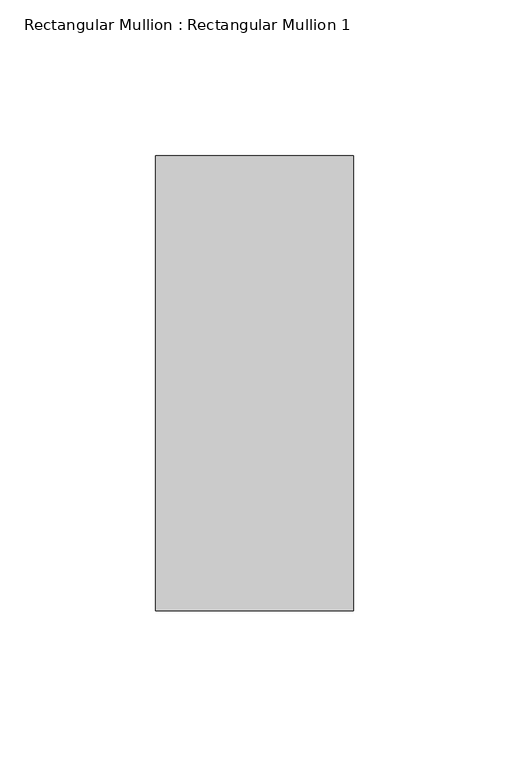
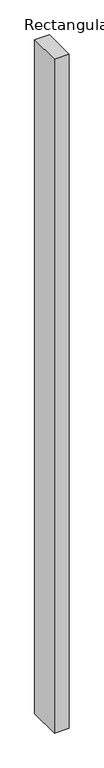
"""IFC4 building model written with IfcOpenShell, lengths in millimetres: member geometry, Rectangular Mullion : Rectangular Mullion 1."""

import ifcopenshell
import ifcopenshell.guid

model = None  # the IFC model being written
_history = None  # IfcOwnerHistory: only IFC2X3 demands one
_inside = {}  # id of a spatial element -> (the spatial element, [elements in it])
_under = {}  # id of a project, library or spatial element -> (it, [spatial elements below it])
_declared = {}  # id of a project -> (the project, [libraries it declares])
_typed = {}  # id of a type object -> (the type object, [elements of that type])
_made_of = {}  # id of a material, layer set ... -> (it, [elements and type objects made of it])


def new_model(schema):
    """Start an empty IFC model of exactly this schema.

    Asked for "IFC4X3", IfcOpenShell would pick the latest addendum, in which some entities
    have other attributes; the version numbers below select the first issue.
    IFC2X3 requires an IfcOwnerHistory on every rooted entity: one is made here for all.
    """
    global model, _history
    if schema == "IFC4X3":
        model = ifcopenshell.file(schema_version=(4, 3, 0, 0))
    else:
        model = ifcopenshell.file(schema=schema)
    _inside.clear()
    _under.clear()
    _declared.clear()
    _typed.clear()
    _made_of.clear()
    _history = None
    if model.schema == "IFC2X3":
        org = make("IfcOrganization", Name="unknown")
        user = make(
            "IfcPersonAndOrganization",
            ThePerson=make("IfcPerson", FamilyName="unknown"),
            TheOrganization=org,
        )
        app = make(
            "IfcApplication",
            ApplicationDeveloper=org,
            Version="unknown",
            ApplicationFullName="unknown",
            ApplicationIdentifier="unknown",
        )
        _history = make(
            "IfcOwnerHistory",
            OwningUser=user,
            OwningApplication=app,
            ChangeAction="ADDED",
            CreationDate=0,
        )
    return model


def make(cls, **values):
    """One entity of the class cls with the attributes given. An attribute that is None is left unset."""
    return model.create_entity(
        cls, **{name: value for name, value in values.items() if value is not None}
    )


def rooted(cls, **values):
    """An entity with a GlobalId (a new one), such as an element, a storey or a relation."""
    return make(cls, GlobalId=ifcopenshell.guid.new(), OwnerHistory=_history, **values)


def si_unit(unit_type, name, prefix=None):
    """IfcSIUnit, for example si_unit("LENGTHUNIT", "METRE", prefix="MILLI")."""
    return make("IfcSIUnit", UnitType=unit_type, Prefix=prefix, Name=name)


def assignment(units):
    """IfcUnitAssignment: the units of a project."""
    return None if units is None else make("IfcUnitAssignment", Units=units)


def point(xyz):
    """IfcCartesianPoint."""
    return None if xyz is None else make("IfcCartesianPoint", Coordinates=xyz)


def direction(xyz):
    """IfcDirection."""
    return None if xyz is None else make("IfcDirection", DirectionRatios=xyz)


def frame(location, z_axis=None, x_axis=None):
    """IfcAxis2Placement3D, a coordinate frame: its origin and axes. An axis left out is left unset."""
    return make(
        "IfcAxis2Placement3D",
        Location=point(location),
        Axis=direction(z_axis),
        RefDirection=direction(x_axis),
    )


def origin():
    """The frame at (0, 0, 0) with its axes left unset."""
    return frame((0.0, 0.0, 0.0))


def place(relative_to, where):
    """IfcLocalPlacement: puts the frame where relative to a parent placement (None: the world)."""
    return make(
        "IfcLocalPlacement", PlacementRelTo=relative_to, RelativePlacement=where
    )


def context(
    kind, dimensions, precision=None, world=None, true_north=None, identifier=None
):
    """IfcGeometricRepresentationContext, for example the 3D "Model" context."""
    return make(
        "IfcGeometricRepresentationContext",
        ContextIdentifier=identifier,
        ContextType=kind,
        CoordinateSpaceDimension=dimensions,
        Precision=precision,
        WorldCoordinateSystem=world,
        TrueNorth=true_north,
    )


def project(units=None, contexts=None):
    """IfcProject with its units and contexts."""
    return rooted(
        "IfcProject",
        Name="project",
        RepresentationContexts=contexts,
        UnitsInContext=assignment(units),
    )


def spatial(cls, under=None, at=None, **own):
    """A site, building, storey or space (cls), placed at a placement, below another one or the project."""
    s = rooted(cls, ObjectPlacement=at, **own)
    if under is not None:
        _under.setdefault(under.id(), (under, []))[1].append(s)
    return s


def polyline(points):
    """IfcPolyline through the points."""
    return make("IfcPolyline", Points=[point(p) for p in points])


def outline(outer, holes=None, kind="AREA"):
    """IfcArbitraryClosedProfileDef: a profile drawn as a closed curve; with holes, ...WithVoids."""
    if holes is None:
        return make("IfcArbitraryClosedProfileDef", ProfileType=kind, OuterCurve=outer)
    return make(
        "IfcArbitraryProfileDefWithVoids",
        ProfileType=kind,
        OuterCurve=outer,
        InnerCurves=holes,
    )


def extrude(swept, where, along, depth):
    """IfcExtrudedAreaSolid: the profile swept, set in the frame where, extruded along a direction by depth."""
    return make(
        "IfcExtrudedAreaSolid",
        SweptArea=swept,
        Position=where,
        ExtrudedDirection=direction(along),
        Depth=depth,
    )


def shape(context_of_items, identifier, shape_type, items):
    """IfcShapeRepresentation: the items that make up one representation, for example the "Body"."""
    return make(
        "IfcShapeRepresentation",
        ContextOfItems=context_of_items,
        RepresentationIdentifier=identifier,
        RepresentationType=shape_type,
        Items=items,
    )


def source(mapping_origin, context_of_items, identifier, shape_type, items):
    """IfcRepresentationMap: a shape defined once, which mapped items show again and again."""
    return make(
        "IfcRepresentationMap",
        MappingOrigin=mapping_origin,
        MappedRepresentation=shape(context_of_items, identifier, shape_type, items),
    )


def transform(
    local_origin,
    x_axis=None,
    y_axis=None,
    z_axis=None,
    scale=None,
    scale2=None,
    scale3=None,
    uniform=True,
):
    """IfcCartesianTransformationOperator3D, or its non-uniform kind. x_axis, y_axis, z_axis: its Axis1, 2, 3."""
    if uniform:
        return make(
            "IfcCartesianTransformationOperator3D",
            Axis1=direction(x_axis),
            Axis2=direction(y_axis),
            LocalOrigin=point(local_origin),
            Scale=scale,
            Axis3=direction(z_axis),
        )
    return make(
        "IfcCartesianTransformationOperator3DnonUniform",
        Axis1=direction(x_axis),
        Axis2=direction(y_axis),
        LocalOrigin=point(local_origin),
        Scale=scale,
        Axis3=direction(z_axis),
        Scale2=scale2,
        Scale3=scale3,
    )


def mapped(mapping_source, mapping_target):
    """IfcMappedItem: shows the shape of a source again, moved by a transform."""
    return make(
        "IfcMappedItem", MappingSource=mapping_source, MappingTarget=mapping_target
    )


def made_of(thing, what):
    """Note that an element or type object is made of a material, layer set ...; save() writes the relation."""
    if what is not None:
        _made_of.setdefault(what.id(), (what, []))[1].append(thing)
    return thing


def element(
    cls,
    number,
    at=None,
    inside=None,
    cuts=None,
    type_object=None,
    material=None,
    context=None,
    identifier="Body",
    shape_type=None,
    held_by="IfcProductDefinitionShape",
    body=None,
    shapes=None,
    **own,
):
    """One element of the class cls, such as IfcWall. Its Tag is "e" and its number.

    at: its placement. inside: the storey or other place that contains it. cuts: it is an
    opening in that element (IfcRelVoidsElement). A single representation is given by context,
    identifier, shape_type and body (its items); several are given by shapes. held_by: the class
    of the entity that holds the representations. save() writes the other relations.
    """
    e = rooted(cls, Tag="e%d" % number, ObjectPlacement=at, **own)
    if body is not None:
        shapes = [shape(context, identifier, shape_type, body)]
    if shapes is not None:
        e.Representation = make(held_by, Representations=shapes)
    if inside is not None:
        _inside.setdefault(inside.id(), (inside, []))[1].append(e)
    if cuts is not None:
        rooted(
            "IfcRelVoidsElement", RelatingBuildingElement=cuts, RelatedOpeningElement=e
        )
    if type_object is not None:
        _typed.setdefault(type_object.id(), (type_object, []))[1].append(e)
    return made_of(e, material)


def aggregate(whole, parts):
    """IfcRelAggregates: a whole, such as a stair, and the parts it consists of."""
    return rooted("IfcRelAggregates", RelatingObject=whole, RelatedObjects=parts)


def save(model, path):
    """Write the relations noted so far, then the file.

    IfcRelAggregates (storeys below a building ...), IfcRelContainedInSpatialStructure (elements
    in a storey), IfcRelDefinesByType, IfcRelAssociatesMaterial and IfcRelDeclares: one each for
    every whole, place, type object, material and project.
    """
    for whole, parts in _under.values():
        aggregate(whole, parts)
    for where, things in _inside.values():
        rooted(
            "IfcRelContainedInSpatialStructure",
            RelatedElements=things,
            RelatingStructure=where,
        )
    for kind, things in _typed.values():
        rooted("IfcRelDefinesByType", RelatedObjects=things, RelatingType=kind)
    for what, things in _made_of.values():
        rooted("IfcRelAssociatesMaterial", RelatedObjects=things, RelatingMaterial=what)
    for by, libraries in _declared.values():
        rooted("IfcRelDeclares", RelatingContext=by, RelatedDefinitions=libraries)
    model.write(path)


def rectangular_mullion_rectangular_mullion_1_6a1acc15(model_context):
    return source(origin(), model_context, "Body", "SweptSolid", [
        extrude(outline(polyline([(0.0, 73.025), (0.0, -73.025), (-63.5, -73.025), (-63.5, 73.025), (0.0, 73.025)])), frame((0.0, 0.0, -3048.0), z_axis=(0.0, 0.0, 1.0), x_axis=(1.0, 0.0, 0.0)), (0.0, 0.0, 1.0), 3048.0),
    ])


if __name__ == "__main__":
    model = new_model("IFC4")
    model_context = context("Model", 3, world=origin())
    ifc_project = project(units=[si_unit("LENGTHUNIT", "METRE", prefix="MILLI")], contexts=[model_context])
    site = spatial("IfcSite", under=ifc_project)
    building = spatial("IfcBuilding", under=site)
    placement = place(None, origin())
    rectangular_mullion_rectangular_mullion_1_shape = rectangular_mullion_rectangular_mullion_1_6a1acc15(model_context)
    element("IfcMember", 1, ObjectType="Rectangular Mullion : Rectangular Mullion 1", at=placement, inside=building, context=model_context, shape_type="MappedRepresentation", body=[
        mapped(rectangular_mullion_rectangular_mullion_1_shape, transform((0.0, 0.0, 0.0), x_axis=(1.0, 0.0, 0.0), y_axis=(0.0, 1.0, 0.0), z_axis=(0.0, 0.0, 1.0))),
    ])
    save(model, "model.ifc")
